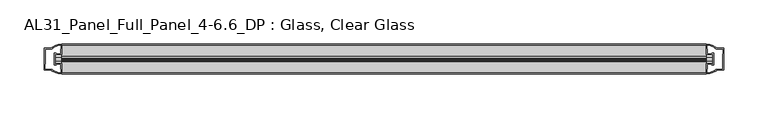
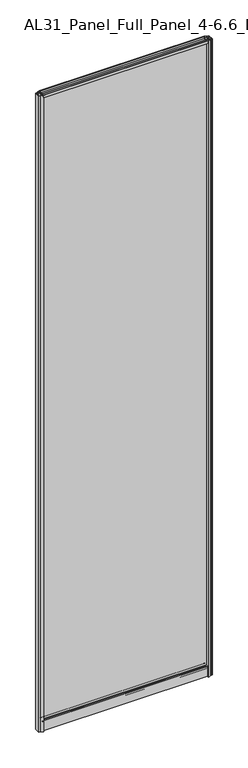
"""IFC4 building model written with IfcOpenShell, lengths in millimetres: plate geometry, AL31_Panel_Full_Panel_4-6.6_DP : Glass, Clear Glass."""

import ifcopenshell
import ifcopenshell.guid

model = None  # the IFC model being written
_history = None  # IfcOwnerHistory: only IFC2X3 demands one
_inside = {}  # id of a spatial element -> (the spatial element, [elements in it])
_under = {}  # id of a project, library or spatial element -> (it, [spatial elements below it])
_declared = {}  # id of a project -> (the project, [libraries it declares])
_typed = {}  # id of a type object -> (the type object, [elements of that type])
_made_of = {}  # id of a material, layer set ... -> (it, [elements and type objects made of it])


def new_model(schema):
    """Start an empty IFC model of exactly this schema.

    Asked for "IFC4X3", IfcOpenShell would pick the latest addendum, in which some entities
    have other attributes; the version numbers below select the first issue.
    IFC2X3 requires an IfcOwnerHistory on every rooted entity: one is made here for all.
    """
    global model, _history
    if schema == "IFC4X3":
        model = ifcopenshell.file(schema_version=(4, 3, 0, 0))
    else:
        model = ifcopenshell.file(schema=schema)
    _inside.clear()
    _under.clear()
    _declared.clear()
    _typed.clear()
    _made_of.clear()
    _history = None
    if model.schema == "IFC2X3":
        org = make("IfcOrganization", Name="unknown")
        user = make(
            "IfcPersonAndOrganization",
            ThePerson=make("IfcPerson", FamilyName="unknown"),
            TheOrganization=org,
        )
        app = make(
            "IfcApplication",
            ApplicationDeveloper=org,
            Version="unknown",
            ApplicationFullName="unknown",
            ApplicationIdentifier="unknown",
        )
        _history = make(
            "IfcOwnerHistory",
            OwningUser=user,
            OwningApplication=app,
            ChangeAction="ADDED",
            CreationDate=0,
        )
    return model


def make(cls, **values):
    """One entity of the class cls with the attributes given. An attribute that is None is left unset."""
    return model.create_entity(
        cls, **{name: value for name, value in values.items() if value is not None}
    )


def rooted(cls, **values):
    """An entity with a GlobalId (a new one), such as an element, a storey or a relation."""
    return make(cls, GlobalId=ifcopenshell.guid.new(), OwnerHistory=_history, **values)


def si_unit(unit_type, name, prefix=None):
    """IfcSIUnit, for example si_unit("LENGTHUNIT", "METRE", prefix="MILLI")."""
    return make("IfcSIUnit", UnitType=unit_type, Prefix=prefix, Name=name)


def assignment(units):
    """IfcUnitAssignment: the units of a project."""
    return None if units is None else make("IfcUnitAssignment", Units=units)


def point(xyz):
    """IfcCartesianPoint."""
    return None if xyz is None else make("IfcCartesianPoint", Coordinates=xyz)


def direction(xyz):
    """IfcDirection."""
    return None if xyz is None else make("IfcDirection", DirectionRatios=xyz)


def frame(location, z_axis=None, x_axis=None):
    """IfcAxis2Placement3D, a coordinate frame: its origin and axes. An axis left out is left unset."""
    return make(
        "IfcAxis2Placement3D",
        Location=point(location),
        Axis=direction(z_axis),
        RefDirection=direction(x_axis),
    )


def frame_2d(location, x_axis=None):
    """IfcAxis2Placement2D, a coordinate frame in the plane: its origin and x axis."""
    return make(
        "IfcAxis2Placement2D", Location=point(location), RefDirection=direction(x_axis)
    )


def origin():
    """The frame at (0, 0, 0) with its axes left unset."""
    return frame((0.0, 0.0, 0.0))


def origin_with_axes():
    """The frame at (0, 0, 0) with the z axis (0, 0, 1) and the x axis (1, 0, 0) written out."""
    return frame((0.0, 0.0, 0.0), z_axis=(0.0, 0.0, 1.0), x_axis=(1.0, 0.0, 0.0))


def place(relative_to, where):
    """IfcLocalPlacement: puts the frame where relative to a parent placement (None: the world)."""
    return make(
        "IfcLocalPlacement", PlacementRelTo=relative_to, RelativePlacement=where
    )


def context(
    kind, dimensions, precision=None, world=None, true_north=None, identifier=None
):
    """IfcGeometricRepresentationContext, for example the 3D "Model" context."""
    return make(
        "IfcGeometricRepresentationContext",
        ContextIdentifier=identifier,
        ContextType=kind,
        CoordinateSpaceDimension=dimensions,
        Precision=precision,
        WorldCoordinateSystem=world,
        TrueNorth=true_north,
    )


def project(units=None, contexts=None):
    """IfcProject with its units and contexts."""
    return rooted(
        "IfcProject",
        Name="project",
        RepresentationContexts=contexts,
        UnitsInContext=assignment(units),
    )


def spatial(cls, under=None, at=None, **own):
    """A site, building, storey or space (cls), placed at a placement, below another one or the project."""
    s = rooted(cls, ObjectPlacement=at, **own)
    if under is not None:
        _under.setdefault(under.id(), (under, []))[1].append(s)
    return s


def polyline(points):
    """IfcPolyline through the points."""
    return make("IfcPolyline", Points=[point(p) for p in points])


def circle_curve(where, radius):
    """IfcCircle in the frame where."""
    return make("IfcCircle", Position=where, Radius=radius)


def trimmed(basis, trim1, trim2, sense, master):
    """IfcTrimmedCurve: the piece of a basis curve between two trims."""
    return make(
        "IfcTrimmedCurve",
        BasisCurve=basis,
        Trim1=trim1,
        Trim2=trim2,
        SenseAgreement=sense,
        MasterRepresentation=master,
    )


def segment(curve, same_sense, transition):
    """IfcCompositeCurveSegment."""
    return make(
        "IfcCompositeCurveSegment",
        Transition=transition,
        SameSense=same_sense,
        ParentCurve=curve,
    )


def composite_curve(segments, self_intersect=None):
    """IfcCompositeCurve: segments joined end to end."""
    return make("IfcCompositeCurve", Segments=segments, SelfIntersect=self_intersect)


def outline(outer, holes=None, kind="AREA"):
    """IfcArbitraryClosedProfileDef: a profile drawn as a closed curve; with holes, ...WithVoids."""
    if holes is None:
        return make("IfcArbitraryClosedProfileDef", ProfileType=kind, OuterCurve=outer)
    return make(
        "IfcArbitraryProfileDefWithVoids",
        ProfileType=kind,
        OuterCurve=outer,
        InnerCurves=holes,
    )


def extrude(swept, where, along, depth):
    """IfcExtrudedAreaSolid: the profile swept, set in the frame where, extruded along a direction by depth."""
    return make(
        "IfcExtrudedAreaSolid",
        SweptArea=swept,
        Position=where,
        ExtrudedDirection=direction(along),
        Depth=depth,
    )


def shape(context_of_items, identifier, shape_type, items):
    """IfcShapeRepresentation: the items that make up one representation, for example the "Body"."""
    return make(
        "IfcShapeRepresentation",
        ContextOfItems=context_of_items,
        RepresentationIdentifier=identifier,
        RepresentationType=shape_type,
        Items=items,
    )


def source(mapping_origin, context_of_items, identifier, shape_type, items):
    """IfcRepresentationMap: a shape defined once, which mapped items show again and again."""
    return make(
        "IfcRepresentationMap",
        MappingOrigin=mapping_origin,
        MappedRepresentation=shape(context_of_items, identifier, shape_type, items),
    )


def transform(
    local_origin,
    x_axis=None,
    y_axis=None,
    z_axis=None,
    scale=None,
    scale2=None,
    scale3=None,
    uniform=True,
):
    """IfcCartesianTransformationOperator3D, or its non-uniform kind. x_axis, y_axis, z_axis: its Axis1, 2, 3."""
    if uniform:
        return make(
            "IfcCartesianTransformationOperator3D",
            Axis1=direction(x_axis),
            Axis2=direction(y_axis),
            LocalOrigin=point(local_origin),
            Scale=scale,
            Axis3=direction(z_axis),
        )
    return make(
        "IfcCartesianTransformationOperator3DnonUniform",
        Axis1=direction(x_axis),
        Axis2=direction(y_axis),
        LocalOrigin=point(local_origin),
        Scale=scale,
        Axis3=direction(z_axis),
        Scale2=scale2,
        Scale3=scale3,
    )


def mapped(mapping_source, mapping_target):
    """IfcMappedItem: shows the shape of a source again, moved by a transform."""
    return make(
        "IfcMappedItem", MappingSource=mapping_source, MappingTarget=mapping_target
    )


def made_of(thing, what):
    """Note that an element or type object is made of a material, layer set ...; save() writes the relation."""
    if what is not None:
        _made_of.setdefault(what.id(), (what, []))[1].append(thing)
    return thing


def element(
    cls,
    number,
    at=None,
    inside=None,
    cuts=None,
    type_object=None,
    material=None,
    context=None,
    identifier="Body",
    shape_type=None,
    held_by="IfcProductDefinitionShape",
    body=None,
    shapes=None,
    **own,
):
    """One element of the class cls, such as IfcWall. Its Tag is "e" and its number.

    at: its placement. inside: the storey or other place that contains it. cuts: it is an
    opening in that element (IfcRelVoidsElement). A single representation is given by context,
    identifier, shape_type and body (its items); several are given by shapes. held_by: the class
    of the entity that holds the representations. save() writes the other relations.
    """
    e = rooted(cls, Tag="e%d" % number, ObjectPlacement=at, **own)
    if body is not None:
        shapes = [shape(context, identifier, shape_type, body)]
    if shapes is not None:
        e.Representation = make(held_by, Representations=shapes)
    if inside is not None:
        _inside.setdefault(inside.id(), (inside, []))[1].append(e)
    if cuts is not None:
        rooted(
            "IfcRelVoidsElement", RelatingBuildingElement=cuts, RelatedOpeningElement=e
        )
    if type_object is not None:
        _typed.setdefault(type_object.id(), (type_object, []))[1].append(e)
    return made_of(e, material)


def aggregate(whole, parts):
    """IfcRelAggregates: a whole, such as a stair, and the parts it consists of."""
    return rooted("IfcRelAggregates", RelatingObject=whole, RelatedObjects=parts)


def save(model, path):
    """Write the relations noted so far, then the file.

    IfcRelAggregates (storeys below a building ...), IfcRelContainedInSpatialStructure (elements
    in a storey), IfcRelDefinesByType, IfcRelAssociatesMaterial and IfcRelDeclares: one each for
    every whole, place, type object, material and project.
    """
    for whole, parts in _under.values():
        aggregate(whole, parts)
    for where, things in _inside.values():
        rooted(
            "IfcRelContainedInSpatialStructure",
            RelatedElements=things,
            RelatingStructure=where,
        )
    for kind, things in _typed.values():
        rooted("IfcRelDefinesByType", RelatedObjects=things, RelatingType=kind)
    for what, things in _made_of.values():
        rooted("IfcRelAssociatesMaterial", RelatedObjects=things, RelatingMaterial=what)
    for by, libraries in _declared.values():
        rooted("IfcRelDeclares", RelatingContext=by, RelatedDefinitions=libraries)
    model.write(path)


def al31_panel_full_panel_4_6_6_dp_glass_clear_glass_ac544440(model_context):
    return source(origin(), model_context, "Body", "SweptSolid", [
        extrude(outline(composite_curve([segment(trimmed(circle_curve(frame_2d((-19.957, 2961.8572926)), 3.0), [point((-18.457, 2964.4553688))], [point((-17.4851586, 2960.1572926))], False, "CARTESIAN"), True, "CONTINUOUS"), segment(polyline([(-17.4851586, 2960.1572926), (-4.157, 2960.1572926), (-4.157, 2969.5572926), (-2.857, 2969.5572926), (-2.857, 2959.0572926), (-13.1545312, 2959.0572926), (-13.1545312, 2958.2572926), (-13.6601218, 2956.3357964), (-13.6601218, 2951.6572926), (-14.857, 2951.6572926), (-14.857, 2956.9912672), (-14.357, 2957.8572926), (-14.357, 2959.0572926), (-25.357, 2959.0572926), (-25.357, 2957.8572926), (-24.857, 2956.9912672), (-24.857, 2951.6572926), (-26.0538782, 2951.6572926), (-26.0538782, 2956.3357964), (-26.5594688, 2958.2572926), (-26.5594688, 2959.0572926), (-36.857, 2959.0572926), (-36.857, 2969.5572926), (-35.557, 2969.5572926), (-35.557, 2960.1572926), (-22.4288414, 2960.1572926)]), True, "CONTINUOUS"), segment(trimmed(circle_curve(frame_2d((-19.957, 2961.8572926)), 3.0), [point((-22.4288414, 2960.1572926))], [point((-21.457, 2964.4553688))], False, "CARTESIAN"), True, "CONTINUOUS"), segment(polyline([(-21.457, 2964.4553688), (-20.907, 2963.5027409)]), True, "CONTINUOUS"), segment(trimmed(circle_curve(frame_2d((-19.957, 2961.8572926)), 1.9), [point((-20.907, 2963.5027409))], [point((-19.007, 2963.5027409))], True, "CARTESIAN"), True, "CONTINUOUS"), segment(polyline([(-19.007, 2963.5027409), (-18.457, 2964.4553688)]), True, "CONTINUOUS")], self_intersect=False)), frame((-363.75, 0.0, 0.0), z_axis=(1.0, 0.0, 0.0), x_axis=(0.0, 1.0, 0.0)), (0.0, 0.0, 1.0), 727.5),
        extrude(outline(composite_curve([segment(polyline([(-11.457, 35.8), (-28.257, 35.8)]), True, "CONTINUOUS"), segment(trimmed(circle_curve(frame_2d((-28.257, 34.8)), 1.0), [point((-28.257, 35.8))], [point((-29.257, 34.8))], True, "CARTESIAN"), True, "CONTINUOUS"), segment(polyline([(-29.257, 34.8), (-29.257, 33.5), (-24.8569697, 33.5), (-24.8569697, 32.3), (-29.257, 32.3), (-29.257, 0.0), (-30.457, 0.0), (-30.457, 47.3)]), True, "CONTINUOUS"), segment(trimmed(circle_curve(frame_2d((-28.457, 47.3)), 2.0), [point((-30.457, 47.3))], [point((-28.457, 49.3))], False, "CARTESIAN"), True, "CONTINUOUS"), segment(polyline([(-28.457, 49.3), (-24.857, 49.3), (-24.857, 41.9), (-14.857, 41.9), (-14.857, 49.3), (-11.257, 49.3)]), True, "CONTINUOUS"), segment(trimmed(circle_curve(frame_2d((-11.257, 47.3)), 2.0), [point((-11.257, 49.3))], [point((-9.257, 47.3))], False, "CARTESIAN"), True, "CONTINUOUS"), segment(polyline([(-9.257, 47.3), (-9.257, 0.0), (-10.457, 0.0), (-10.457, 32.3), (-14.8569697, 32.3), (-14.8569697, 33.5), (-10.457, 33.5), (-10.457, 34.8)]), True, "CONTINUOUS"), segment(trimmed(circle_curve(frame_2d((-11.457, 34.8)), 1.0), [point((-10.457, 34.8))], [point((-11.457, 35.8))], True, "CARTESIAN"), True, "CONTINUOUS")], self_intersect=False), holes=[composite_curve([segment(polyline([(-26.3594688, 41.8), (-26.3594688, 42.9)]), True, "CONTINUOUS"), segment(trimmed(circle_curve(frame_2d((-25.1594688, 42.9)), 1.2), [point((-26.3594688, 42.9))], [point((-25.9768184, 43.7786009))], False, "CARTESIAN"), True, "CONTINUOUS"), segment(polyline([(-25.9768184, 43.7786009), (-25.9768184, 48.2), (-28.257, 48.2)]), True, "CONTINUOUS"), segment(trimmed(circle_curve(frame_2d((-28.257, 47.2)), 1.0), [point((-28.257, 48.2))], [point((-29.257, 47.2))], True, "CARTESIAN"), True, "CONTINUOUS"), segment(polyline([(-29.257, 47.2), (-29.257, 37.04), (-22.6578965, 37.04), (-22.6578965, 38.0725806), (-21.6940508, 38.0725806)]), True, "CONTINUOUS"), segment(trimmed(circle_curve(frame_2d((-19.857, 39.1)), 2.1048387), [point((-21.6940508, 38.0725806))], [point((-18.0199492, 38.0725806))], True, "CARTESIAN"), True, "CONTINUOUS"), segment(polyline([(-18.0199492, 38.0725806), (-17.0561035, 38.0725806), (-17.0561035, 37.04), (-10.457, 37.04), (-10.457, 47.2)]), True, "CONTINUOUS"), segment(trimmed(circle_curve(frame_2d((-11.457, 47.2)), 1.0), [point((-10.457, 47.2))], [point((-11.457, 48.2))], True, "CARTESIAN"), True, "CONTINUOUS"), segment(polyline([(-11.457, 48.2), (-13.7371816, 48.2), (-13.7371816, 43.5786009)]), True, "CONTINUOUS"), segment(trimmed(circle_curve(frame_2d((-14.5545312, 42.7)), 1.2), [point((-13.7371816, 43.5786009))], [point((-13.3545312, 42.7))], False, "CARTESIAN"), True, "CONTINUOUS"), segment(polyline([(-13.3545312, 42.7), (-13.3545312, 41.8)]), True, "CONTINUOUS"), segment(trimmed(circle_curve(frame_2d((-14.3545312, 41.8)), 1.0), [point((-13.3545312, 41.8))], [point((-14.3545312, 40.8))], False, "CARTESIAN"), True, "CONTINUOUS"), segment(polyline([(-14.3545312, 40.8), (-17.0561035, 40.8), (-17.0561035, 39.7274194), (-18.0199492, 39.7274194)]), True, "CONTINUOUS"), segment(trimmed(circle_curve(frame_2d((-19.857, 38.7)), 2.1048387), [point((-18.0199492, 39.7274194))], [point((-21.6940508, 39.7274194))], True, "CARTESIAN"), True, "CONTINUOUS"), segment(polyline([(-21.6940508, 39.7274194), (-22.6578965, 39.7274194), (-22.6578965, 40.8), (-25.3594688, 40.8)]), True, "CONTINUOUS"), segment(trimmed(circle_curve(frame_2d((-25.3594688, 41.8)), 1.0), [point((-25.3594688, 40.8))], [point((-26.3594688, 41.8))], False, "CARTESIAN"), True, "CONTINUOUS")], self_intersect=False)]), frame((-363.75, 0.0, 0.0), z_axis=(1.0, 0.0, 0.0), x_axis=(0.0, 1.0, 0.0)), (0.0, 0.0, 1.0), 727.5),
        extrude(outline(composite_curve([segment(polyline([(-371.5914214, -25.757), (-370.3914214, -25.757), (-370.3914214, -24.857), (-363.75, -24.857), (-363.75, -36.8571453)]), True, "CONTINUOUS"), segment(trimmed(circle_curve(frame_2d((-363.3853484, -16.8604698)), 20.0), [point((-363.75, -36.8571453))], [point((-375.1058352, -33.0663388))], False, "CARTESIAN"), True, "CONTINUOUS"), segment(polyline([(-375.1058352, -33.0663388), (-375.1058352, -32.1849343), (-383.75, -32.1849343), (-383.75, -7.4849343), (-375.1058352, -7.4849343), (-375.1058352, -6.6474751)]), True, "CONTINUOUS"), segment(trimmed(circle_curve(frame_2d((-363.3853484, -22.8533441)), 20.0), [point((-375.1058352, -6.6474751))], [point((-363.75, -2.8566686))], False, "CARTESIAN"), True, "CONTINUOUS"), segment(polyline([(-363.75, -2.8566686), (-363.75, -14.857), (-370.3914214, -14.857), (-370.3914214, -13.957), (-371.5914214, -13.957), (-371.5914214, -25.757)]), True, "CONTINUOUS")], self_intersect=False), holes=[composite_curve([segment(trimmed(circle_curve(frame_2d((-370.5914214, -14.157)), 1.5), [point((-370.5914214, -12.657))], [point((-369.2361671, -13.5141269))], False, "CARTESIAN"), True, "CONTINUOUS"), segment(polyline([(-369.2361671, -13.5141269), (-365.4914214, -13.5141269), (-365.4914214, -8.917777), (-365.0520815, -7.8571168), (-365.0520815, -4.2070183)]), True, "CONTINUOUS"), segment(trimmed(circle_curve(frame_2d((-363.3853484, -22.8325921)), 18.7), [point((-365.0520815, -4.2070183))], [point((-373.3921262, -7.0353013))], True, "CARTESIAN"), True, "CONTINUOUS"), segment(trimmed(circle_curve(frame_2d((-375.1914214, -6.9849343)), 1.8), [point((-373.3921262, -7.0353013))], [point((-375.1914214, -8.7849343))], False, "CARTESIAN"), True, "CONTINUOUS"), segment(polyline([(-375.1914214, -8.7849343), (-382.3328427, -8.7849343), (-382.3328427, -13.3550394), (-381.8914214, -14.417777), (-381.8914214, -25.2520916), (-382.3914214, -26.2449987), (-382.3914214, -30.8849343), (-375.1914214, -30.8849343)]), True, "CONTINUOUS"), segment(trimmed(circle_curve(frame_2d((-375.1914214, -32.6849343)), 1.8), [point((-375.1914214, -30.8849343))], [point((-373.3921262, -32.6345673))], False, "CARTESIAN"), True, "CONTINUOUS"), segment(trimmed(circle_curve(frame_2d((-363.3853484, -16.8372765)), 18.7), [point((-373.3921262, -32.6345673))], [point((-365.0520815, -35.4628503))], True, "CARTESIAN"), True, "CONTINUOUS"), segment(polyline([(-365.0520815, -35.4628503), (-365.0520815, -31.8127518), (-365.4914214, -30.7520916), (-365.4914214, -26.1561308), (-369.2162696, -26.1561308)]), True, "CONTINUOUS"), segment(trimmed(circle_curve(frame_2d((-370.5914214, -25.557)), 1.5), [point((-369.2162696, -26.1561308))], [point((-370.5914214, -27.057))], False, "CARTESIAN"), True, "CONTINUOUS"), segment(polyline([(-370.5914214, -27.057), (-372.8914214, -27.057), (-372.8914214, -12.657), (-370.5914214, -12.657)]), True, "CONTINUOUS")], self_intersect=False)]), origin_with_axes(), (0.0, 0.0, 1.0), 2969.5572926),
        extrude(outline(composite_curve([segment(polyline([(371.5914214, -13.957), (370.3914214, -13.957), (370.3914214, -14.857), (363.75, -14.857), (363.75, -2.8568547)]), True, "CONTINUOUS"), segment(trimmed(circle_curve(frame_2d((363.3853484, -22.8535302)), 20.0), [point((363.75, -2.8568547))], [point((375.1058352, -6.6476612))], False, "CARTESIAN"), True, "CONTINUOUS"), segment(polyline([(375.1058352, -6.6476612), (375.1058352, -7.5290657), (383.75, -7.5290657), (383.75, -32.2290657), (375.1058352, -32.2290657), (375.1058352, -33.0665249)]), True, "CONTINUOUS"), segment(trimmed(circle_curve(frame_2d((363.3853484, -16.8606559)), 20.0), [point((375.1058352, -33.0665249))], [point((363.75, -36.8573314))], False, "CARTESIAN"), True, "CONTINUOUS"), segment(polyline([(363.75, -36.8573314), (363.75, -24.857), (370.3914214, -24.857), (370.3914214, -25.757), (371.5914214, -25.757), (371.5914214, -13.957)]), True, "CONTINUOUS")], self_intersect=False), holes=[composite_curve([segment(trimmed(circle_curve(frame_2d((370.5914214, -25.557)), 1.5), [point((370.5914214, -27.057))], [point((369.2361671, -26.1998731))], False, "CARTESIAN"), True, "CONTINUOUS"), segment(polyline([(369.2361671, -26.1998731), (365.4914214, -26.1998731), (365.4914214, -30.796223), (365.0520815, -31.8568832), (365.0520815, -35.5069817)]), True, "CONTINUOUS"), segment(trimmed(circle_curve(frame_2d((363.3853484, -16.8814079)), 18.7), [point((365.0520815, -35.5069817))], [point((373.3921262, -32.6786987))], True, "CARTESIAN"), True, "CONTINUOUS"), segment(trimmed(circle_curve(frame_2d((375.1914214, -32.7290657)), 1.8), [point((373.3921262, -32.6786987))], [point((375.1914214, -30.9290657))], False, "CARTESIAN"), True, "CONTINUOUS"), segment(polyline([(375.1914214, -30.9290657), (382.3328427, -30.9290657), (382.3328427, -26.3589606), (381.8914214, -25.296223), (381.8914214, -14.4619084), (382.3914214, -13.4690013), (382.3914214, -8.8290657), (375.1914214, -8.8290657)]), True, "CONTINUOUS"), segment(trimmed(circle_curve(frame_2d((375.1914214, -7.0290657)), 1.8), [point((375.1914214, -8.8290657))], [point((373.3921262, -7.0794327))], False, "CARTESIAN"), True, "CONTINUOUS"), segment(trimmed(circle_curve(frame_2d((363.3853484, -22.8767235)), 18.7), [point((373.3921262, -7.0794327))], [point((365.0520815, -4.2511497))], True, "CARTESIAN"), True, "CONTINUOUS"), segment(polyline([(365.0520815, -4.2511497), (365.0520815, -7.9012482), (365.4914214, -8.9619084), (365.4914214, -13.5578692), (369.2162696, -13.5578692)]), True, "CONTINUOUS"), segment(trimmed(circle_curve(frame_2d((370.5914214, -14.157)), 1.5), [point((369.2162696, -13.5578692))], [point((370.5914214, -12.657))], False, "CARTESIAN"), True, "CONTINUOUS"), segment(polyline([(370.5914214, -12.657), (372.8914214, -12.657), (372.8914214, -27.057), (370.5914214, -27.057)]), True, "CONTINUOUS")], self_intersect=False)]), origin_with_axes(), (0.0, 0.0, 1.0), 2969.5572926),
        extrude(outline(polyline([(371.5914214, -17.857), (371.5914214, -21.857), (-371.5914214, -21.857), (-371.5914214, -17.857), (371.5914214, -17.857)])), frame((0.0, 0.0, 41.9), z_axis=(0.0, 0.0, 1.0), x_axis=(1.0, 0.0, 0.0)), (0.0, 0.0, 1.0), 2917.1572926),
    ])


if __name__ == "__main__":
    model = new_model("IFC4")
    model_context = context("Model", 3, world=origin())
    ifc_project = project(units=[si_unit("LENGTHUNIT", "METRE", prefix="MILLI")], contexts=[model_context])
    site = spatial("IfcSite", under=ifc_project)
    building = spatial("IfcBuilding", under=site)
    placement = place(None, origin())
    al31_panel_full_panel_4_6_6_dp_glass_clear_glass_shape = al31_panel_full_panel_4_6_6_dp_glass_clear_glass_ac544440(model_context)
    element("IfcPlate", 1, ObjectType="AL31_Panel_Full_Panel_4-6.6_DP : Glass, Clear Glass", at=placement, inside=building, context=model_context, shape_type="MappedRepresentation", body=[
        mapped(al31_panel_full_panel_4_6_6_dp_glass_clear_glass_shape, transform((0.0, 0.0, 0.0), x_axis=(1.0, 0.0, 0.0), y_axis=(0.0, 1.0, 0.0), z_axis=(0.0, 0.0, 1.0))),
    ])
    save(model, "model.ifc")
